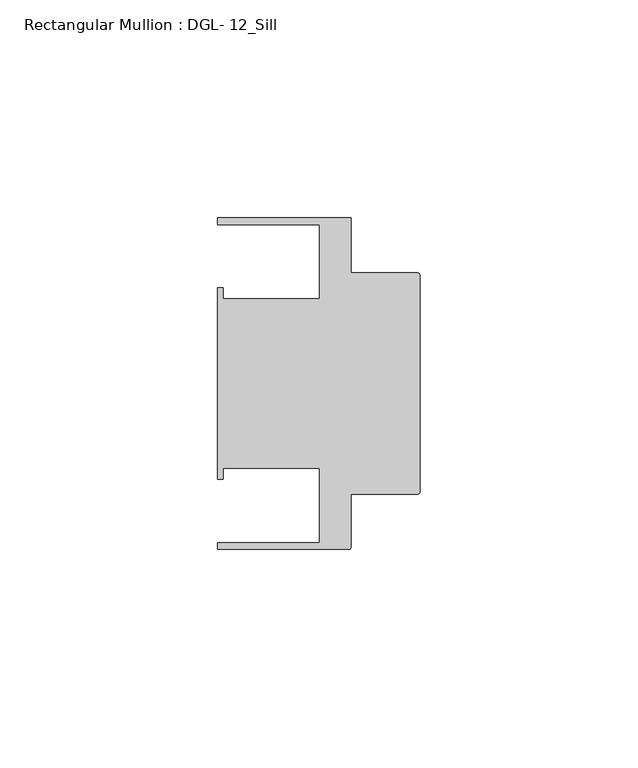
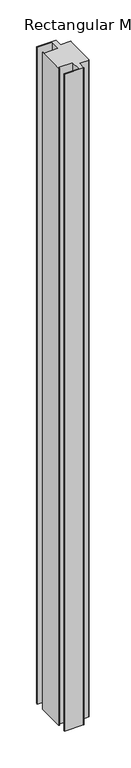
"""IFC4 building model written with IfcOpenShell, lengths in millimetres: member geometry, Rectangular Mullion : DGL- 12_Sill."""

from ifc_helpers import new_model, si_unit, point, frame, frame_2d, origin, place, context, project, spatial, polyline, circle_curve, trimmed, segment, composite_curve, outline, extrude, source, transform, mapped, element, save


def rectangular_mullion_dgl_12_sill_11ce8372(model_context):
    return source(origin(), model_context, "Body", "SweptSolid", [
        extrude(outline(composite_curve([segment(trimmed(circle_curve(frame_2d((-0.5953125, 24.8046875)), 0.5953125), [point((-0.5953125, 25.4))], [point((0.0, 24.8046875))], False, "CARTESIAN"), True, "CONTINUOUS"), segment(polyline([(0.0, 24.8046875), (0.0, -24.8046875)]), True, "CONTINUOUS"), segment(trimmed(circle_curve(frame_2d((-0.5953125, -24.8046875)), 0.5953125), [point((0.0, -24.8046875))], [point((-0.5953125, -25.4))], False, "CARTESIAN"), True, "CONTINUOUS"), segment(polyline([(-0.5953125, -25.4), (-15.8750672, -25.4), (-15.8750672, -37.5047035)]), True, "CONTINUOUS"), segment(trimmed(circle_curve(frame_2d((-16.4703797, -37.5047035)), 0.5953125), [point((-15.8750672, -37.5047035))], [point((-16.4703797, -38.100016))], False, "CARTESIAN"), True, "CONTINUOUS"), segment(polyline([(-16.4703797, -38.100016), (-46.54296, -38.100016), (-46.54296, -36.512516), (-23.1202791, -36.512516), (-23.1202791, -19.4824275), (-45.2865266, -19.4824275), (-45.2865266, -21.9710976), (-46.54296, -21.9710976), (-46.54296, 21.9710976), (-45.2865266, 21.9710976), (-45.2865266, 19.4824275), (-23.1202791, 19.4824275), (-23.1202791, 36.512516), (-46.54296, 36.512516), (-46.54296, 38.0996792), (-15.8750672, 38.0996792), (-15.8750672, 25.4), (-0.5953125, 25.4)]), True, "CONTINUOUS")], self_intersect=False)), frame((0.0, 0.0, -1092.2), z_axis=(0.0, 0.0, 1.0), x_axis=(1.0, 0.0, 0.0)), (0.0, 0.0, 1.0), 1092.2),
    ])


if __name__ == "__main__":
    model = new_model("IFC4")
    model_context = context("Model", 3, world=origin())
    ifc_project = project(units=[si_unit("LENGTHUNIT", "METRE", prefix="MILLI")], contexts=[model_context])
    site = spatial("IfcSite", under=ifc_project)
    building = spatial("IfcBuilding", under=site)
    placement = place(None, origin())
    rectangular_mullion_dgl_12_sill_shape = rectangular_mullion_dgl_12_sill_11ce8372(model_context)
    element("IfcMember", 1, ObjectType="Rectangular Mullion : DGL- 12_Sill", at=placement, inside=building, context=model_context, shape_type="MappedRepresentation", body=[
        mapped(rectangular_mullion_dgl_12_sill_shape, transform((0.0, 0.0, 0.0), x_axis=(1.0, 0.0, 0.0), y_axis=(0.0, 1.0, 0.0), z_axis=(0.0, 0.0, 1.0))),
    ])
    save(model, "model.ifc")
